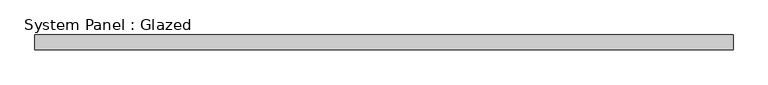
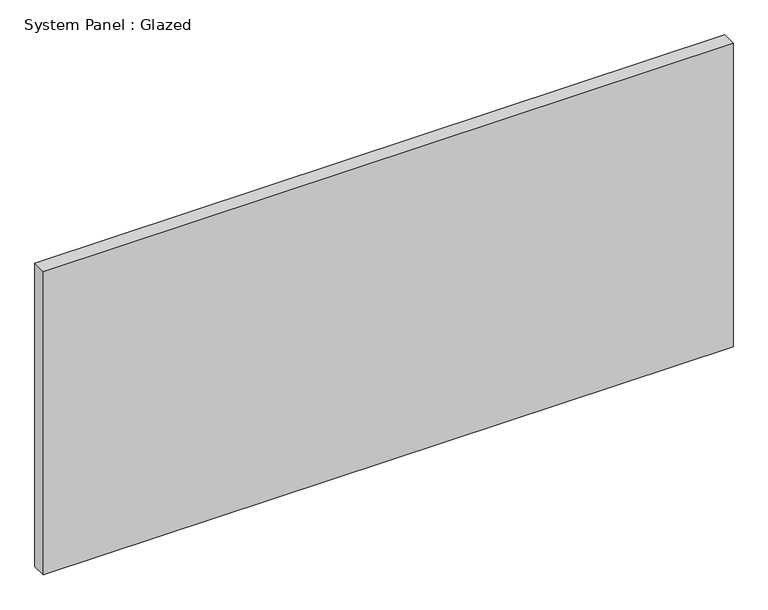
"""IFC4 building model written with IfcOpenShell, lengths in millimetres: plate geometry, System Panel : Glazed."""

import ifcopenshell
import ifcopenshell.guid

model = None  # the IFC model being written
_history = None  # IfcOwnerHistory: only IFC2X3 demands one
_inside = {}  # id of a spatial element -> (the spatial element, [elements in it])
_under = {}  # id of a project, library or spatial element -> (it, [spatial elements below it])
_declared = {}  # id of a project -> (the project, [libraries it declares])
_typed = {}  # id of a type object -> (the type object, [elements of that type])
_made_of = {}  # id of a material, layer set ... -> (it, [elements and type objects made of it])


def new_model(schema):
    """Start an empty IFC model of exactly this schema.

    Asked for "IFC4X3", IfcOpenShell would pick the latest addendum, in which some entities
    have other attributes; the version numbers below select the first issue.
    IFC2X3 requires an IfcOwnerHistory on every rooted entity: one is made here for all.
    """
    global model, _history
    if schema == "IFC4X3":
        model = ifcopenshell.file(schema_version=(4, 3, 0, 0))
    else:
        model = ifcopenshell.file(schema=schema)
    _inside.clear()
    _under.clear()
    _declared.clear()
    _typed.clear()
    _made_of.clear()
    _history = None
    if model.schema == "IFC2X3":
        org = make("IfcOrganization", Name="unknown")
        user = make(
            "IfcPersonAndOrganization",
            ThePerson=make("IfcPerson", FamilyName="unknown"),
            TheOrganization=org,
        )
        app = make(
            "IfcApplication",
            ApplicationDeveloper=org,
            Version="unknown",
            ApplicationFullName="unknown",
            ApplicationIdentifier="unknown",
        )
        _history = make(
            "IfcOwnerHistory",
            OwningUser=user,
            OwningApplication=app,
            ChangeAction="ADDED",
            CreationDate=0,
        )
    return model


def make(cls, **values):
    """One entity of the class cls with the attributes given. An attribute that is None is left unset."""
    return model.create_entity(
        cls, **{name: value for name, value in values.items() if value is not None}
    )


def rooted(cls, **values):
    """An entity with a GlobalId (a new one), such as an element, a storey or a relation."""
    return make(cls, GlobalId=ifcopenshell.guid.new(), OwnerHistory=_history, **values)


def si_unit(unit_type, name, prefix=None):
    """IfcSIUnit, for example si_unit("LENGTHUNIT", "METRE", prefix="MILLI")."""
    return make("IfcSIUnit", UnitType=unit_type, Prefix=prefix, Name=name)


def assignment(units):
    """IfcUnitAssignment: the units of a project."""
    return None if units is None else make("IfcUnitAssignment", Units=units)


def point(xyz):
    """IfcCartesianPoint."""
    return None if xyz is None else make("IfcCartesianPoint", Coordinates=xyz)


def direction(xyz):
    """IfcDirection."""
    return None if xyz is None else make("IfcDirection", DirectionRatios=xyz)


def frame(location, z_axis=None, x_axis=None):
    """IfcAxis2Placement3D, a coordinate frame: its origin and axes. An axis left out is left unset."""
    return make(
        "IfcAxis2Placement3D",
        Location=point(location),
        Axis=direction(z_axis),
        RefDirection=direction(x_axis),
    )


def origin():
    """The frame at (0, 0, 0) with its axes left unset."""
    return frame((0.0, 0.0, 0.0))


def origin_with_axes():
    """The frame at (0, 0, 0) with the z axis (0, 0, 1) and the x axis (1, 0, 0) written out."""
    return frame((0.0, 0.0, 0.0), z_axis=(0.0, 0.0, 1.0), x_axis=(1.0, 0.0, 0.0))


def place(relative_to, where):
    """IfcLocalPlacement: puts the frame where relative to a parent placement (None: the world)."""
    return make(
        "IfcLocalPlacement", PlacementRelTo=relative_to, RelativePlacement=where
    )


def context(
    kind, dimensions, precision=None, world=None, true_north=None, identifier=None
):
    """IfcGeometricRepresentationContext, for example the 3D "Model" context."""
    return make(
        "IfcGeometricRepresentationContext",
        ContextIdentifier=identifier,
        ContextType=kind,
        CoordinateSpaceDimension=dimensions,
        Precision=precision,
        WorldCoordinateSystem=world,
        TrueNorth=true_north,
    )


def project(units=None, contexts=None):
    """IfcProject with its units and contexts."""
    return rooted(
        "IfcProject",
        Name="project",
        RepresentationContexts=contexts,
        UnitsInContext=assignment(units),
    )


def spatial(cls, under=None, at=None, **own):
    """A site, building, storey or space (cls), placed at a placement, below another one or the project."""
    s = rooted(cls, ObjectPlacement=at, **own)
    if under is not None:
        _under.setdefault(under.id(), (under, []))[1].append(s)
    return s


def polyline(points):
    """IfcPolyline through the points."""
    return make("IfcPolyline", Points=[point(p) for p in points])


def outline(outer, holes=None, kind="AREA"):
    """IfcArbitraryClosedProfileDef: a profile drawn as a closed curve; with holes, ...WithVoids."""
    if holes is None:
        return make("IfcArbitraryClosedProfileDef", ProfileType=kind, OuterCurve=outer)
    return make(
        "IfcArbitraryProfileDefWithVoids",
        ProfileType=kind,
        OuterCurve=outer,
        InnerCurves=holes,
    )


def extrude(swept, where, along, depth):
    """IfcExtrudedAreaSolid: the profile swept, set in the frame where, extruded along a direction by depth."""
    return make(
        "IfcExtrudedAreaSolid",
        SweptArea=swept,
        Position=where,
        ExtrudedDirection=direction(along),
        Depth=depth,
    )


def shape(context_of_items, identifier, shape_type, items):
    """IfcShapeRepresentation: the items that make up one representation, for example the "Body"."""
    return make(
        "IfcShapeRepresentation",
        ContextOfItems=context_of_items,
        RepresentationIdentifier=identifier,
        RepresentationType=shape_type,
        Items=items,
    )


def source(mapping_origin, context_of_items, identifier, shape_type, items):
    """IfcRepresentationMap: a shape defined once, which mapped items show again and again."""
    return make(
        "IfcRepresentationMap",
        MappingOrigin=mapping_origin,
        MappedRepresentation=shape(context_of_items, identifier, shape_type, items),
    )


def transform(
    local_origin,
    x_axis=None,
    y_axis=None,
    z_axis=None,
    scale=None,
    scale2=None,
    scale3=None,
    uniform=True,
):
    """IfcCartesianTransformationOperator3D, or its non-uniform kind. x_axis, y_axis, z_axis: its Axis1, 2, 3."""
    if uniform:
        return make(
            "IfcCartesianTransformationOperator3D",
            Axis1=direction(x_axis),
            Axis2=direction(y_axis),
            LocalOrigin=point(local_origin),
            Scale=scale,
            Axis3=direction(z_axis),
        )
    return make(
        "IfcCartesianTransformationOperator3DnonUniform",
        Axis1=direction(x_axis),
        Axis2=direction(y_axis),
        LocalOrigin=point(local_origin),
        Scale=scale,
        Axis3=direction(z_axis),
        Scale2=scale2,
        Scale3=scale3,
    )


def mapped(mapping_source, mapping_target):
    """IfcMappedItem: shows the shape of a source again, moved by a transform."""
    return make(
        "IfcMappedItem", MappingSource=mapping_source, MappingTarget=mapping_target
    )


def made_of(thing, what):
    """Note that an element or type object is made of a material, layer set ...; save() writes the relation."""
    if what is not None:
        _made_of.setdefault(what.id(), (what, []))[1].append(thing)
    return thing


def element(
    cls,
    number,
    at=None,
    inside=None,
    cuts=None,
    type_object=None,
    material=None,
    context=None,
    identifier="Body",
    shape_type=None,
    held_by="IfcProductDefinitionShape",
    body=None,
    shapes=None,
    **own,
):
    """One element of the class cls, such as IfcWall. Its Tag is "e" and its number.

    at: its placement. inside: the storey or other place that contains it. cuts: it is an
    opening in that element (IfcRelVoidsElement). A single representation is given by context,
    identifier, shape_type and body (its items); several are given by shapes. held_by: the class
    of the entity that holds the representations. save() writes the other relations.
    """
    e = rooted(cls, Tag="e%d" % number, ObjectPlacement=at, **own)
    if body is not None:
        shapes = [shape(context, identifier, shape_type, body)]
    if shapes is not None:
        e.Representation = make(held_by, Representations=shapes)
    if inside is not None:
        _inside.setdefault(inside.id(), (inside, []))[1].append(e)
    if cuts is not None:
        rooted(
            "IfcRelVoidsElement", RelatingBuildingElement=cuts, RelatedOpeningElement=e
        )
    if type_object is not None:
        _typed.setdefault(type_object.id(), (type_object, []))[1].append(e)
    return made_of(e, material)


def aggregate(whole, parts):
    """IfcRelAggregates: a whole, such as a stair, and the parts it consists of."""
    return rooted("IfcRelAggregates", RelatingObject=whole, RelatedObjects=parts)


def save(model, path):
    """Write the relations noted so far, then the file.

    IfcRelAggregates (storeys below a building ...), IfcRelContainedInSpatialStructure (elements
    in a storey), IfcRelDefinesByType, IfcRelAssociatesMaterial and IfcRelDeclares: one each for
    every whole, place, type object, material and project.
    """
    for whole, parts in _under.values():
        aggregate(whole, parts)
    for where, things in _inside.values():
        rooted(
            "IfcRelContainedInSpatialStructure",
            RelatedElements=things,
            RelatingStructure=where,
        )
    for kind, things in _typed.values():
        rooted("IfcRelDefinesByType", RelatedObjects=things, RelatingType=kind)
    for what, things in _made_of.values():
        rooted("IfcRelAssociatesMaterial", RelatedObjects=things, RelatingMaterial=what)
    for by, libraries in _declared.values():
        rooted("IfcRelDeclares", RelatingContext=by, RelatedDefinitions=libraries)
    model.write(path)


def system_panel_glazed_d54cf99a(model_context):
    return source(origin(), model_context, "Body", "SweptSolid", [
        extrude(outline(polyline([(601.1333333, -12.7), (-601.1333333, -12.7), (-601.1333333, 12.7), (601.1333333, 12.7), (601.1333333, -12.7)])), origin_with_axes(), (0.0, 0.0, 1.0), 558.8),
    ])


if __name__ == "__main__":
    model = new_model("IFC4")
    model_context = context("Model", 3, world=origin())
    ifc_project = project(units=[si_unit("LENGTHUNIT", "METRE", prefix="MILLI")], contexts=[model_context])
    site = spatial("IfcSite", under=ifc_project)
    building = spatial("IfcBuilding", under=site)
    placement = place(None, origin())
    system_panel_glazed_shape = system_panel_glazed_d54cf99a(model_context)
    element("IfcPlate", 1, ObjectType="System Panel : Glazed", at=placement, inside=building, context=model_context, shape_type="MappedRepresentation", body=[
        mapped(system_panel_glazed_shape, transform((0.0, 0.0, 0.0), x_axis=(1.0, 0.0, 0.0), y_axis=(0.0, 1.0, 0.0), z_axis=(0.0, 0.0, 1.0))),
    ])
    save(model, "model.ifc")
